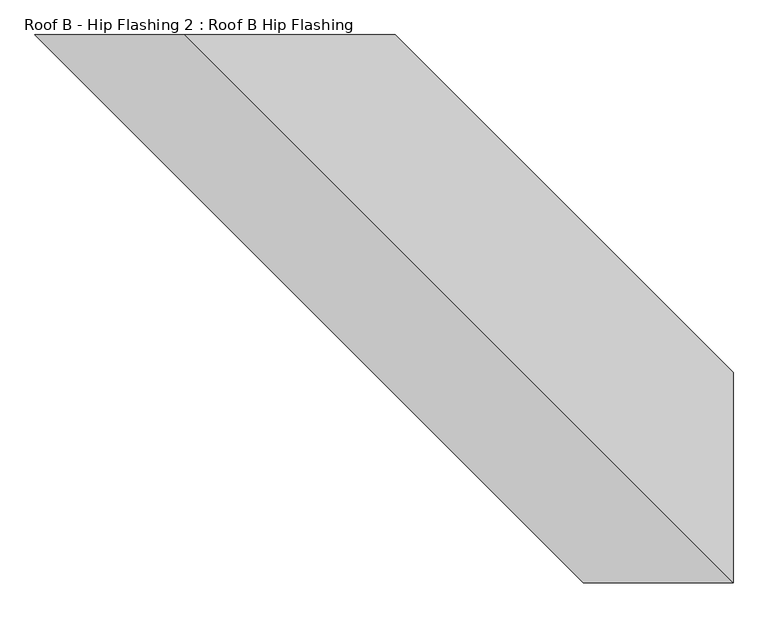
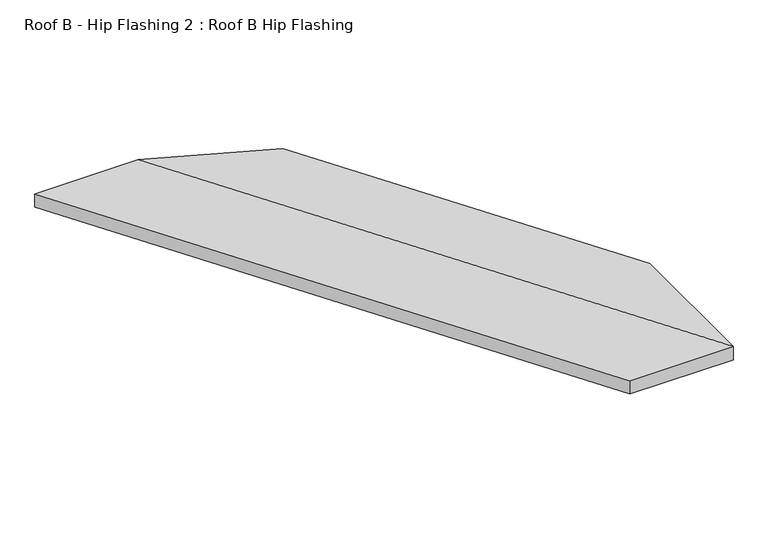
"""IFC4 building model written with IfcOpenShell, lengths in millimetres: proxy geometry, Roof B - Hip Flashing 2 : Roof B Hip Flashing."""

from ifc_helpers import new_model, si_unit, origin, place, context, project, spatial, faceted_brep, source, transform, mapped, element, save


def roof_b_hip_flashing_2_roof_b_hip_flashing_cdc4cc86(model_context):
    return source(origin(), model_context, "Body", "Brep", [
        faceted_brep([(3830.2141237, -3424.5112211, 3455.7292283), (3830.2141237, -3424.5112211, 3501.6089956), (4592.3647416, -4186.661839, 3297.391353), (4592.3647416, -4186.661839, 3251.5115857), (3356.3780417, -3424.5112211, 3628.5729911), (4592.364416, -4660.4975954, 3297.3914403), (4254.083444, -4660.4975954, 3297.3914403), (3018.0970696, -3424.5112211, 3628.5729911), (4254.083444, -4660.4975954, 3251.5159328), (3018.0970696, -3424.5112211, 3582.6974837), (4592.3485181, -4660.4975954, 3251.5159328), (3356.3621437, -3424.5112211, 3582.6974837)], [[[0, 1, 2, 3]], [[4, 5, 2, 1]], [[6, 5, 4, 7]], [[8, 6, 7, 9]], [[10, 11, 0, 3]], [[10, 8, 9, 11]], [[5, 6, 8, 10]], [[1, 0, 11, 9, 7, 4]], [[3, 2, 5, 10]]]),
    ])


if __name__ == "__main__":
    model = new_model("IFC4")
    model_context = context("Model", 3, world=origin())
    ifc_project = project(units=[si_unit("LENGTHUNIT", "METRE", prefix="MILLI")], contexts=[model_context])
    site = spatial("IfcSite", under=ifc_project)
    building = spatial("IfcBuilding", under=site)
    placement = place(None, origin())
    roof_b_hip_flashing_2_roof_b_hip_flashing_shape = roof_b_hip_flashing_2_roof_b_hip_flashing_cdc4cc86(model_context)
    element("IfcBuildingElementProxy", 1, Name="Roof B - Hip Flashing 2 : Roof B Hip Flashing", ObjectType="Roof B - Hip Flashing 2 : Roof B Hip Flashing", at=placement, inside=building, context=model_context, shape_type="MappedRepresentation", body=[
        mapped(roof_b_hip_flashing_2_roof_b_hip_flashing_shape, transform((0.0, 0.0, 0.0), x_axis=(1.0, 0.0, 0.0), y_axis=(0.0, 1.0, 0.0), z_axis=(0.0, 0.0, 1.0))),
    ])
    save(model, "model.ifc")
